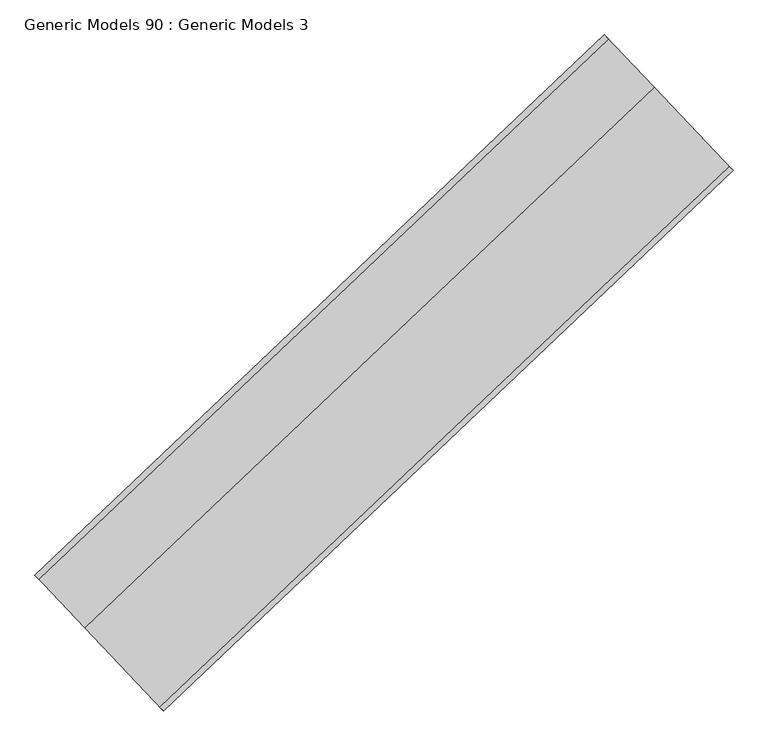
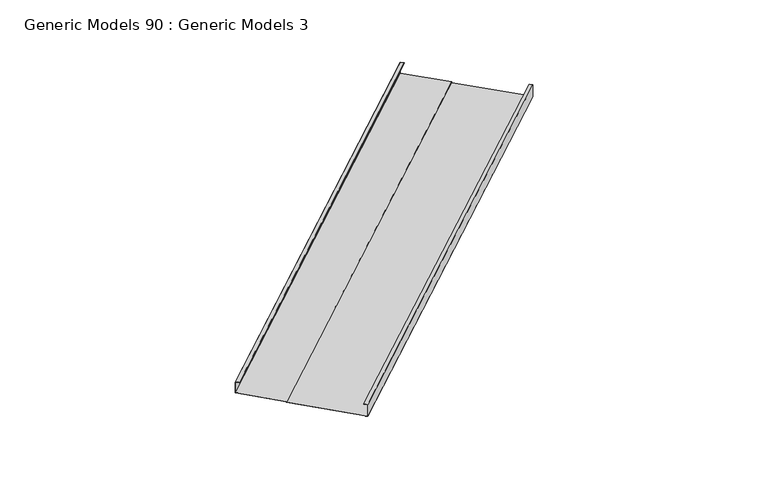
"""IFC4 building model written with IfcOpenShell, lengths in millimetres: proxy geometry, Generic Models 90 : Generic Models 3."""

import ifcopenshell
import ifcopenshell.guid

model = None  # the IFC model being written
_history = None  # IfcOwnerHistory: only IFC2X3 demands one
_inside = {}  # id of a spatial element -> (the spatial element, [elements in it])
_under = {}  # id of a project, library or spatial element -> (it, [spatial elements below it])
_declared = {}  # id of a project -> (the project, [libraries it declares])
_typed = {}  # id of a type object -> (the type object, [elements of that type])
_made_of = {}  # id of a material, layer set ... -> (it, [elements and type objects made of it])


def new_model(schema):
    """Start an empty IFC model of exactly this schema.

    Asked for "IFC4X3", IfcOpenShell would pick the latest addendum, in which some entities
    have other attributes; the version numbers below select the first issue.
    IFC2X3 requires an IfcOwnerHistory on every rooted entity: one is made here for all.
    """
    global model, _history
    if schema == "IFC4X3":
        model = ifcopenshell.file(schema_version=(4, 3, 0, 0))
    else:
        model = ifcopenshell.file(schema=schema)
    _inside.clear()
    _under.clear()
    _declared.clear()
    _typed.clear()
    _made_of.clear()
    _history = None
    if model.schema == "IFC2X3":
        org = make("IfcOrganization", Name="unknown")
        user = make(
            "IfcPersonAndOrganization",
            ThePerson=make("IfcPerson", FamilyName="unknown"),
            TheOrganization=org,
        )
        app = make(
            "IfcApplication",
            ApplicationDeveloper=org,
            Version="unknown",
            ApplicationFullName="unknown",
            ApplicationIdentifier="unknown",
        )
        _history = make(
            "IfcOwnerHistory",
            OwningUser=user,
            OwningApplication=app,
            ChangeAction="ADDED",
            CreationDate=0,
        )
    return model


def make(cls, **values):
    """One entity of the class cls with the attributes given. An attribute that is None is left unset."""
    return model.create_entity(
        cls, **{name: value for name, value in values.items() if value is not None}
    )


def rooted(cls, **values):
    """An entity with a GlobalId (a new one), such as an element, a storey or a relation."""
    return make(cls, GlobalId=ifcopenshell.guid.new(), OwnerHistory=_history, **values)


def si_unit(unit_type, name, prefix=None):
    """IfcSIUnit, for example si_unit("LENGTHUNIT", "METRE", prefix="MILLI")."""
    return make("IfcSIUnit", UnitType=unit_type, Prefix=prefix, Name=name)


def assignment(units):
    """IfcUnitAssignment: the units of a project."""
    return None if units is None else make("IfcUnitAssignment", Units=units)


def point(xyz):
    """IfcCartesianPoint."""
    return None if xyz is None else make("IfcCartesianPoint", Coordinates=xyz)


def direction(xyz):
    """IfcDirection."""
    return None if xyz is None else make("IfcDirection", DirectionRatios=xyz)


def frame(location, z_axis=None, x_axis=None):
    """IfcAxis2Placement3D, a coordinate frame: its origin and axes. An axis left out is left unset."""
    return make(
        "IfcAxis2Placement3D",
        Location=point(location),
        Axis=direction(z_axis),
        RefDirection=direction(x_axis),
    )


def origin():
    """The frame at (0, 0, 0) with its axes left unset."""
    return frame((0.0, 0.0, 0.0))


def place(relative_to, where):
    """IfcLocalPlacement: puts the frame where relative to a parent placement (None: the world)."""
    return make(
        "IfcLocalPlacement", PlacementRelTo=relative_to, RelativePlacement=where
    )


def context(
    kind, dimensions, precision=None, world=None, true_north=None, identifier=None
):
    """IfcGeometricRepresentationContext, for example the 3D "Model" context."""
    return make(
        "IfcGeometricRepresentationContext",
        ContextIdentifier=identifier,
        ContextType=kind,
        CoordinateSpaceDimension=dimensions,
        Precision=precision,
        WorldCoordinateSystem=world,
        TrueNorth=true_north,
    )


def project(units=None, contexts=None):
    """IfcProject with its units and contexts."""
    return rooted(
        "IfcProject",
        Name="project",
        RepresentationContexts=contexts,
        UnitsInContext=assignment(units),
    )


def spatial(cls, under=None, at=None, **own):
    """A site, building, storey or space (cls), placed at a placement, below another one or the project."""
    s = rooted(cls, ObjectPlacement=at, **own)
    if under is not None:
        _under.setdefault(under.id(), (under, []))[1].append(s)
    return s


def polyline(points):
    """IfcPolyline through the points."""
    return make("IfcPolyline", Points=[point(p) for p in points])


def outline(outer, holes=None, kind="AREA"):
    """IfcArbitraryClosedProfileDef: a profile drawn as a closed curve; with holes, ...WithVoids."""
    if holes is None:
        return make("IfcArbitraryClosedProfileDef", ProfileType=kind, OuterCurve=outer)
    return make(
        "IfcArbitraryProfileDefWithVoids",
        ProfileType=kind,
        OuterCurve=outer,
        InnerCurves=holes,
    )


def extrude(swept, where, along, depth):
    """IfcExtrudedAreaSolid: the profile swept, set in the frame where, extruded along a direction by depth."""
    return make(
        "IfcExtrudedAreaSolid",
        SweptArea=swept,
        Position=where,
        ExtrudedDirection=direction(along),
        Depth=depth,
    )


def shape(context_of_items, identifier, shape_type, items):
    """IfcShapeRepresentation: the items that make up one representation, for example the "Body"."""
    return make(
        "IfcShapeRepresentation",
        ContextOfItems=context_of_items,
        RepresentationIdentifier=identifier,
        RepresentationType=shape_type,
        Items=items,
    )


def source(mapping_origin, context_of_items, identifier, shape_type, items):
    """IfcRepresentationMap: a shape defined once, which mapped items show again and again."""
    return make(
        "IfcRepresentationMap",
        MappingOrigin=mapping_origin,
        MappedRepresentation=shape(context_of_items, identifier, shape_type, items),
    )


def transform(
    local_origin,
    x_axis=None,
    y_axis=None,
    z_axis=None,
    scale=None,
    scale2=None,
    scale3=None,
    uniform=True,
):
    """IfcCartesianTransformationOperator3D, or its non-uniform kind. x_axis, y_axis, z_axis: its Axis1, 2, 3."""
    if uniform:
        return make(
            "IfcCartesianTransformationOperator3D",
            Axis1=direction(x_axis),
            Axis2=direction(y_axis),
            LocalOrigin=point(local_origin),
            Scale=scale,
            Axis3=direction(z_axis),
        )
    return make(
        "IfcCartesianTransformationOperator3DnonUniform",
        Axis1=direction(x_axis),
        Axis2=direction(y_axis),
        LocalOrigin=point(local_origin),
        Scale=scale,
        Axis3=direction(z_axis),
        Scale2=scale2,
        Scale3=scale3,
    )


def mapped(mapping_source, mapping_target):
    """IfcMappedItem: shows the shape of a source again, moved by a transform."""
    return make(
        "IfcMappedItem", MappingSource=mapping_source, MappingTarget=mapping_target
    )


def made_of(thing, what):
    """Note that an element or type object is made of a material, layer set ...; save() writes the relation."""
    if what is not None:
        _made_of.setdefault(what.id(), (what, []))[1].append(thing)
    return thing


def element(
    cls,
    number,
    at=None,
    inside=None,
    cuts=None,
    type_object=None,
    material=None,
    context=None,
    identifier="Body",
    shape_type=None,
    held_by="IfcProductDefinitionShape",
    body=None,
    shapes=None,
    **own,
):
    """One element of the class cls, such as IfcWall. Its Tag is "e" and its number.

    at: its placement. inside: the storey or other place that contains it. cuts: it is an
    opening in that element (IfcRelVoidsElement). A single representation is given by context,
    identifier, shape_type and body (its items); several are given by shapes. held_by: the class
    of the entity that holds the representations. save() writes the other relations.
    """
    e = rooted(cls, Tag="e%d" % number, ObjectPlacement=at, **own)
    if body is not None:
        shapes = [shape(context, identifier, shape_type, body)]
    if shapes is not None:
        e.Representation = make(held_by, Representations=shapes)
    if inside is not None:
        _inside.setdefault(inside.id(), (inside, []))[1].append(e)
    if cuts is not None:
        rooted(
            "IfcRelVoidsElement", RelatingBuildingElement=cuts, RelatedOpeningElement=e
        )
    if type_object is not None:
        _typed.setdefault(type_object.id(), (type_object, []))[1].append(e)
    return made_of(e, material)


def aggregate(whole, parts):
    """IfcRelAggregates: a whole, such as a stair, and the parts it consists of."""
    return rooted("IfcRelAggregates", RelatingObject=whole, RelatedObjects=parts)


def save(model, path):
    """Write the relations noted so far, then the file.

    IfcRelAggregates (storeys below a building ...), IfcRelContainedInSpatialStructure (elements
    in a storey), IfcRelDefinesByType, IfcRelAssociatesMaterial and IfcRelDeclares: one each for
    every whole, place, type object, material and project.
    """
    for whole, parts in _under.values():
        aggregate(whole, parts)
    for where, things in _inside.values():
        rooted(
            "IfcRelContainedInSpatialStructure",
            RelatedElements=things,
            RelatingStructure=where,
        )
    for kind, things in _typed.values():
        rooted("IfcRelDefinesByType", RelatedObjects=things, RelatingType=kind)
    for what, things in _made_of.values():
        rooted("IfcRelAssociatesMaterial", RelatedObjects=things, RelatingMaterial=what)
    for by, libraries in _declared.values():
        rooted("IfcRelDeclares", RelatingContext=by, RelatedDefinitions=libraries)
    model.write(path)


def generic_models_90_generic_models_3_3934315e(model_context):
    return source(origin(), model_context, "Body", "SweptSolid", [
        extrude(outline(polyline([(1962.3581429, 0.0), (1962.3581429, -204.7620583), (1905.2081429, -204.7620583), (1905.2081429, -203.1745583), (1960.7706428, -203.1745583), (1960.7706428, -1.5875), (749.5523276, -1.5875), (749.5523276, -15.9393486), (-17.2543572, -15.9393486), (-17.2543572, -203.2), (41.5543541, -203.2), (41.5543541, -204.7875), (-18.8418572, -204.7875), (-18.8418572, -14.3518486), (747.9648277, -14.3518486), (747.9648277, 0.0), (1962.3581429, 0.0)])), frame((108593.1483901, 48736.8194991, 17806.6160667), z_axis=(0.7253743710122986, 0.6883545756937424, 0.0), x_axis=(0.6883545756937424, -0.7253743710122986, 0.0)), (0.0, 0.0, 1.0), 8321.675),
    ])


if __name__ == "__main__":
    model = new_model("IFC4")
    model_context = context("Model", 3, world=origin())
    ifc_project = project(units=[si_unit("LENGTHUNIT", "METRE", prefix="MILLI")], contexts=[model_context])
    site = spatial("IfcSite", under=ifc_project)
    building = spatial("IfcBuilding", under=site)
    placement = place(None, origin())
    generic_models_90_generic_models_3_shape = generic_models_90_generic_models_3_3934315e(model_context)
    element("IfcBuildingElementProxy", 1, Name="Generic Models 90 : Generic Models 3", ObjectType="Generic Models 90 : Generic Models 3", at=placement, inside=building, context=model_context, shape_type="MappedRepresentation", body=[
        mapped(generic_models_90_generic_models_3_shape, transform((0.0, 0.0, 0.0), x_axis=(1.0, 0.0, 0.0), y_axis=(0.0, 1.0, 0.0), z_axis=(0.0, 0.0, 1.0))),
    ])
    save(model, "model.ifc")
